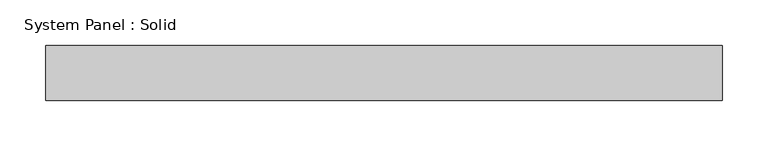
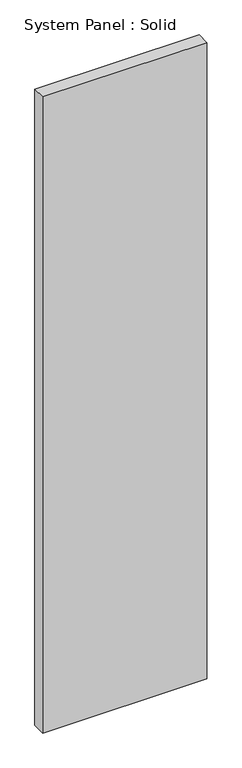
"""IFC4 building model written with IfcOpenShell, lengths in millimetres: plate geometry, System Panel : Solid."""

from ifc_helpers import new_model, si_unit, origin, origin_with_axes, place, context, project, spatial, polyline, outline, extrude, source, transform, mapped, element, save


def system_panel_solid_4bbedf43(model_context):
    return source(origin(), model_context, "Body", "SweptSolid", [
        extrude(outline(polyline([(368.3, -49.5), (-368.3, -49.5), (-368.3, 10.5), (368.3, 10.5), (368.3, -49.5)])), origin_with_axes(), (0.0, 0.0, 1.0), 3018.3328001),
    ])


if __name__ == "__main__":
    model = new_model("IFC4")
    model_context = context("Model", 3, world=origin())
    ifc_project = project(units=[si_unit("LENGTHUNIT", "METRE", prefix="MILLI")], contexts=[model_context])
    site = spatial("IfcSite", under=ifc_project)
    building = spatial("IfcBuilding", under=site)
    placement = place(None, origin())
    system_panel_solid_shape = system_panel_solid_4bbedf43(model_context)
    element("IfcPlate", 1, ObjectType="System Panel : Solid", at=placement, inside=building, context=model_context, shape_type="MappedRepresentation", body=[
        mapped(system_panel_solid_shape, transform((0.0, 0.0, 0.0), x_axis=(1.0, 0.0, 0.0), y_axis=(0.0, 1.0, 0.0), z_axis=(0.0, 0.0, 1.0))),
    ])
    save(model, "model.ifc")
